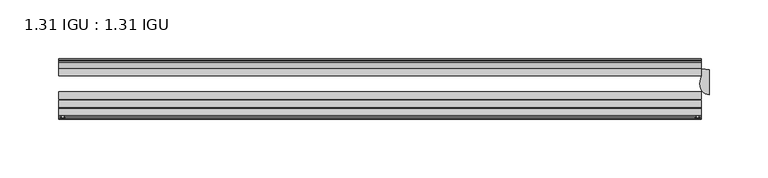
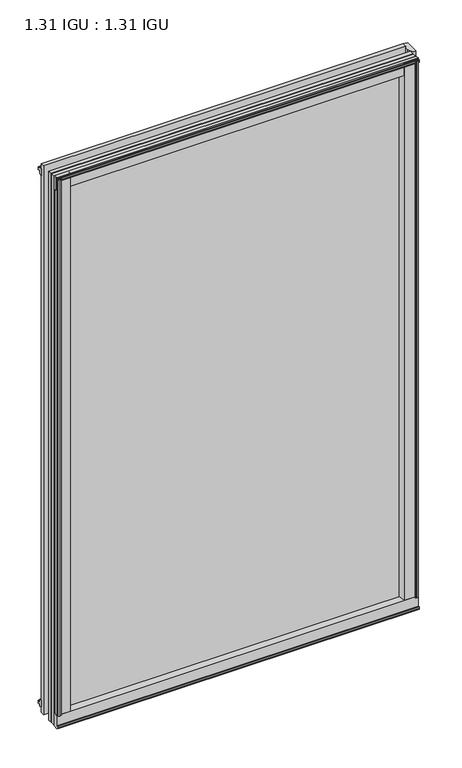
"""IFC4 building model written with IfcOpenShell, lengths in millimetres: plate geometry, 1.31 IGU : 1.31 IGU."""

from ifc_helpers import new_model, si_unit, point, frame, frame_2d, origin, origin_with_axes, place, context, project, spatial, polyline, circle_curve, ellipse_curve, trimmed, segment, composite_curve, outline, extrude, source, transform, mapped, element, save
from ifc_brep_helpers import plane_surface, cylinder_surface, revolved_surface, extruded_surface, advanced_brep


def plate_1_31_igu_1_31_igu_3ddf1b2d(model_context):
    return source(origin(), model_context, "Body", "SolidModel", [
        extrude(outline(composite_curve([segment(polyline([(271.4745906, -57.6333938), (255.2898437, -57.6333938)]), True, "CONTINUOUS"), segment(trimmed(circle_curve(frame_2d((247.9951146, -57.6547678)), 7.2947605), [point((255.2898437, -57.6333938))], [point((251.5474551, -51.2833938))], True, "CARTESIAN"), True, "CONTINUOUS"), segment(polyline([(251.5474551, -51.2833938), (274.417876, -51.2833938)]), True, "CONTINUOUS"), segment(trimmed(circle_curve(frame_2d((274.417876, -52.0707938)), 0.7874), [point((274.417876, -51.2833938))], [point((275.1994069, -51.9748338))], False, "CARTESIAN"), True, "CONTINUOUS"), segment(polyline([(275.1994069, -51.9748338), (275.8941906, -57.6333938), (273.9637906, -57.6333938), (273.5065906, -59.624458), (274.5079525, -59.3561439), (274.7511906, -60.263921), (272.7191906, -60.8083938), (270.6871906, -60.263921), (270.9304288, -59.3561439), (271.9317906, -59.624458), (271.4745906, -57.6333938)]), True, "CONTINUOUS")], self_intersect=False)), origin_with_axes(), (0.0, 0.0, 1.0), 857.25),
        extrude(outline(composite_curve([segment(polyline([(-249.2375, -57.6333937), (-265.4222469, -57.6333937), (-265.8794469, -59.624458), (-264.878085, -59.3561439), (-264.6348469, -60.263921), (-266.6668469, -60.8083937), (-268.6988469, -60.263921), (-268.4556088, -59.3561439), (-267.4542469, -59.624458), (-267.9114469, -57.6333937), (-269.8418469, -57.6333937), (-269.1470631, -51.9748338)]), True, "CONTINUOUS"), segment(trimmed(circle_curve(frame_2d((-268.3655323, -52.0707937)), 0.7874), [point((-269.1470631, -51.9748338))], [point((-268.3655323, -51.2833937))], False, "CARTESIAN"), True, "CONTINUOUS"), segment(polyline([(-268.3655323, -51.2833937), (-245.4951114, -51.2833937)]), True, "CONTINUOUS"), segment(trimmed(circle_curve(frame_2d((-241.9427708, -57.6547678)), 7.2947605), [point((-245.4951114, -51.2833937))], [point((-249.2375, -57.6333937))], True, "CARTESIAN"), True, "CONTINUOUS")], self_intersect=False)), origin_with_axes(), (0.0, 0.0, 1.0), 857.25),
        extrude(outline(polyline([(-9.7543937, -6.8579998), (-10.4009552, -9.2709998), (-11.2596632, -9.0409097), (-10.8839895, -7.6388763), (-13.1833937, -8.3819998), (-13.1833937, -11.7850089), (-17.9585937, -10.1533914), (-17.9585937, 0.6595133), (-13.1833937, -0.5079998), (-13.1833937, -5.4609998), (-10.8839895, -6.0771233), (-11.2596632, -4.6750899), (-10.4009552, -4.4449998), (-9.7543937, -6.8579998)])), frame((-269.875, 0.0, 0.0), z_axis=(1.0, 0.0, 0.0), x_axis=(0.0, 1.0, 0.0)), (0.0, 0.0, 1.0), 545.8023438),
        extrude(outline(composite_curve([segment(polyline([(-51.9748338, -19.930016), (-57.6333937, -20.6247998), (-57.6333937, -18.6943998), (-59.624458, -18.2371998), (-59.3561439, -19.2385617), (-60.263921, -19.4817998), (-60.8083937, -17.4497998), (-60.263921, -15.4177998), (-59.3561439, -15.6610379), (-59.624458, -16.6623998), (-57.6333937, -16.2051998), (-57.6333937, 0.0127002)]), True, "CONTINUOUS"), segment(trimmed(circle_curve(frame_2d((-58.1588233, 7.9620141)), 7.9666598), [point((-57.6333937, 0.0127002))], [point((-51.2833937, 3.9375717))], True, "CARTESIAN"), True, "CONTINUOUS"), segment(polyline([(-51.2833937, 3.9375717), (-51.2833937, -19.1484852)]), True, "CONTINUOUS"), segment(trimmed(circle_curve(frame_2d((-52.0707937, -19.1484852)), 0.7874), [point((-51.2833937, -19.1484852))], [point((-51.9748338, -19.930016))], False, "CARTESIAN"), True, "CONTINUOUS")], self_intersect=False)), frame((-269.875, 0.0, 0.0), z_axis=(1.0, 0.0, 0.0), x_axis=(0.0, 1.0, 0.0)), (0.0, 0.0, 1.0), 545.8023438),
        extrude(outline(polyline([(-17.9585937, 848.3533914), (-13.1833937, 849.9850089), (-13.1833937, 846.5819998), (-10.8839895, 845.8388763), (-11.2596632, 847.2409097), (-10.4009552, 847.4709998), (-9.7543937, 845.0579998), (-10.4009552, 842.6449998), (-11.2596632, 842.8750899), (-10.8839895, 844.2771233), (-13.1833937, 843.6609998), (-13.1833937, 838.7079998), (-17.9585937, 837.5404867), (-17.9585937, 848.3533914)])), frame((-269.875, 0.0, 0.0), z_axis=(1.0, 0.0, 0.0), x_axis=(0.0, 1.0, 0.0)), (0.0, 0.0, 1.0), 545.8023438),
        extrude(outline(composite_curve([segment(trimmed(circle_curve(frame_2d((-52.0707937, 857.3484852)), 0.7874), [point((-51.9748338, 858.130016))], [point((-51.2833937, 857.3484852))], False, "CARTESIAN"), True, "CONTINUOUS"), segment(polyline([(-51.2833937, 857.3484852), (-51.2833937, 834.2624283)]), True, "CONTINUOUS"), segment(trimmed(circle_curve(frame_2d((-58.1588233, 830.2379859)), 7.9666598), [point((-51.2833937, 834.2624283))], [point((-57.6333937, 838.1872998))], True, "CARTESIAN"), True, "CONTINUOUS"), segment(polyline([(-57.6333937, 838.1872998), (-57.6333937, 854.4051998), (-59.624458, 854.8623998), (-59.3561439, 853.8610379), (-60.263921, 853.6177998), (-60.8083937, 855.6497998), (-60.263921, 857.6817998), (-59.3561439, 857.4385617), (-59.624458, 856.4371998), (-57.6333937, 856.8943998), (-57.6333937, 858.8247998), (-51.9748338, 858.130016)]), True, "CONTINUOUS")], self_intersect=False)), frame((-269.875, 0.0, 0.0), z_axis=(1.0, 0.0, 0.0), x_axis=(0.0, 1.0, 0.0)), (0.0, 0.0, 1.0), 545.8023438),
        advanced_brep(
        [(282.575, -18.9011397, 857.25), (276.225, -17.9585938, 857.25), (276.225, -24.3085938, 857.25), (274.7661175, -31.0522938, 857.25), (282.575, -40.2563586, 857.25), (282.575, -18.9011397, 0.0), (282.575, -40.2563586, 0.0), (274.7661175, -31.0522938, 0.0), (276.225, -24.3085938, 0.0), (276.225, -17.9585938, 0.0)],
        [
            (0, 1, circle_curve(frame((282.575, 2.9603377, 857.25), z_axis=(0.0, 0.0, -1.0), x_axis=(0.0, 1.0, 0.0)), 21.8614773)),
            (1, 2),
            (2, 3, circle_curve(frame((291.0819713, -31.0522938, 857.25), z_axis=(0.0, 0.0, 1.0), x_axis=(0.0, 1.0, 0.0)), 16.3158538)),
            (3, 4, ellipse_curve(frame((282.575, -31.0522938, 857.25), z_axis=(0.0, 0.0, 1.0), x_axis=(0.0, -1.0, 0.0)), 9.2040648, 7.8088825)),
            (4, 0),
            (5, 6),
            (6, 7, ellipse_curve(frame((282.575, -31.0522938, 0.0), z_axis=(0.0, 0.0, -1.0), x_axis=(0.0, -1.0, 0.0)), 9.2040648, 7.8088825)),
            (7, 8, circle_curve(frame((291.0819713, -31.0522938, 0.0), z_axis=(0.0, 0.0, -1.0), x_axis=(0.0, 1.0, 0.0)), 16.3158538)),
            (8, 9),
            (9, 5, circle_curve(frame((282.575, 2.9603377, 0.0), z_axis=(0.0, 0.0, 1.0), x_axis=(0.0, 1.0, 0.0)), 21.8614773)),
            (0, 5),
            (9, 1),
            (8, 2),
            (7, 3),
            (6, 4),
        ],
        [
            plane_surface(frame((250.825, -11.6085938, 857.25), z_axis=(0.0, 0.0, 1.0), x_axis=(0.0, 1.0, 0.0))),
            plane_surface(frame((250.825, -11.6085938, 0.0), z_axis=(0.0, 0.0, -1.0), x_axis=(0.0, 1.0, 0.0))),
            revolved_surface(polyline([(282.575, 24.821815, 0.0), (282.575, 24.821815, 857.25)]), (282.575, 2.9603377, 857.25), (0.0, 0.0, -1.0)),
            plane_surface(frame((276.225, -17.9585938, 857.25), z_axis=(-1.0, 0.0, 0.0), x_axis=(0.0, 0.0, -1.0))),
            cylinder_surface(frame((291.0819713, -31.0522938, 857.25), z_axis=(0.0, 0.0, 1.0), x_axis=(0.0, 1.0, 0.0)), 16.3158538),
            extruded_surface(trimmed(ellipse_curve(frame((282.575, -31.0522938, 0.0), z_axis=(0.0, 0.0, 1.0), x_axis=(0.0, -1.0, 0.0)), 9.2040648, 7.8088825), [point((274.7661175, -31.0522938, 0.0))], [point((282.575, -40.2563586, 0.0))], True, "CARTESIAN"), (0.0, 0.0, 857.25), 857.25),
            plane_surface(frame((282.575, -40.2563586, 857.25), z_axis=(1.0, 0.0, 0.0), x_axis=(0.0, 0.0, -1.0))),
        ],
        [
            (0, [[1, 2, 3, 4, 5]]),
            (1, [[6, 7, 8, 9, 10]]),
            (2, [[-1, 11, -10, 12]]),
            (3, [[-2, -12, -9, 13]]),
            (4, [[-3, -13, -8, 14]]),
            (5, [[-4, -14, -7, 15]]),
            (6, [[-5, -15, -6, -11]]),
        ],
    ),
        extrude(outline(polyline([(-258.4638763, -10.8839895), (-259.8659097, -11.2596632), (-260.0959998, -10.4009552), (-257.6829998, -9.7543937), (-255.2699998, -10.4009552), (-255.5000899, -11.2596632), (-256.9021233, -10.8839895), (-256.2859998, -13.1833937), (-251.3329998, -13.1833937), (-250.1654867, -17.9585937), (-260.9783914, -17.9585937), (-262.6100089, -13.1833937), (-259.2069998, -13.1833937), (-258.4638763, -10.8839895)])), origin_with_axes(), (0.0, 0.0, 1.0), 838.2),
        extrude(outline(polyline([(275.9273437, -17.9585937), (275.9273437, -24.3085937), (-269.875, -24.3085937), (-269.875, -17.9585937), (275.9273437, -17.9585937)])), frame((0.0, 0.0, -19.0372998), z_axis=(0.0, 0.0, 1.0), x_axis=(1.0, 0.0, 0.0)), (0.0, 0.0, 1.0), 876.2872998),
        extrude(outline(polyline([(-269.875, -44.1459937), (-269.875, -37.7959937), (275.9273437, -37.7959937), (275.9273437, -44.1459937), (-269.875, -44.1459937)])), frame((0.0, 0.0, -19.0372998), z_axis=(0.0, 0.0, 1.0), x_axis=(1.0, 0.0, 0.0)), (0.0, 0.0, 1.0), 876.2872998),
        extrude(outline(polyline([(-269.875, -51.2833937), (-269.875, -44.9333937), (275.9273437, -44.9333937), (275.9273437, -51.2833937), (-269.875, -51.2833937)])), frame((0.0, 0.0, -19.0372998), z_axis=(0.0, 0.0, 1.0), x_axis=(1.0, 0.0, 0.0)), (0.0, 0.0, 1.0), 876.2872998),
    ])


if __name__ == "__main__":
    model = new_model("IFC4")
    model_context = context("Model", 3, world=origin())
    ifc_project = project(units=[si_unit("LENGTHUNIT", "METRE", prefix="MILLI")], contexts=[model_context])
    site = spatial("IfcSite", under=ifc_project)
    building = spatial("IfcBuilding", under=site)
    placement = place(None, origin())
    plate_1_31_igu_1_31_igu_shape = plate_1_31_igu_1_31_igu_3ddf1b2d(model_context)
    element("IfcPlate", 1, ObjectType="1.31 IGU : 1.31 IGU", at=placement, inside=building, context=model_context, shape_type="MappedRepresentation", body=[
        mapped(plate_1_31_igu_1_31_igu_shape, transform((0.0, 0.0, 0.0), x_axis=(1.0, 0.0, 0.0), y_axis=(0.0, 1.0, 0.0), z_axis=(0.0, 0.0, 1.0))),
    ])
    save(model, "model.ifc")
